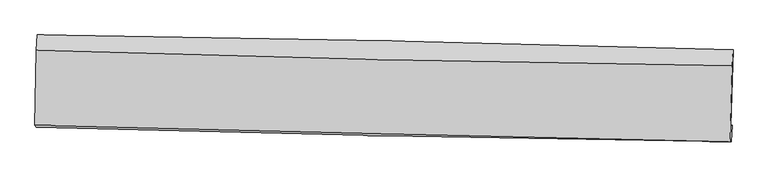
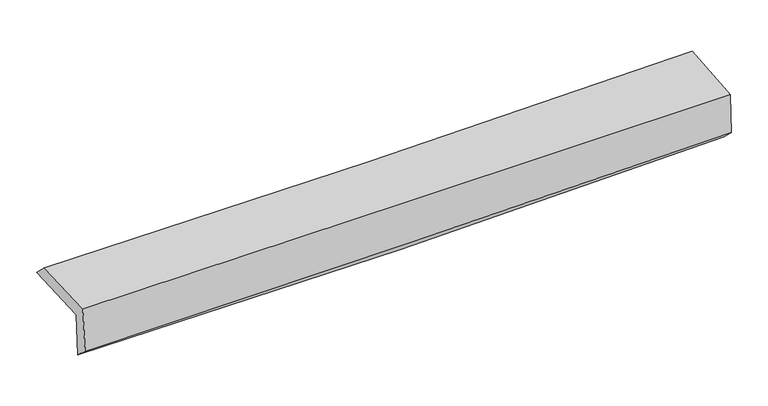
"""IFC4 building model written with IfcOpenShell, lengths in millimetres: proxy geometry."""

from ifc_helpers import new_model, si_unit, frame, origin, place, context, project, spatial, source, transform, mapped, element, save
from ifc_brep_helpers import plane_surface, spline_curve, spline_surface, advanced_brep


def generic_models_ba2f8397(model_context):
    return source(origin(), model_context, "Body", "AdvancedBrep", [
        advanced_brep(
        [(-2974.7879952, -1745.6157383, 1975.6775327), (-2961.0168302, -1087.5656348, 1984.979105), (2966.5182884, -1214.3904264, 2123.3315423), (2948.3810732, -1861.8195592, 2098.0376853), (-2965.1520033, -1746.2639481, 1576.6074001), (2957.8882117, -1856.5268268, 1709.5219193), (-2970.7843764, -1875.8322972, 1695.5694539), (2950.6297484, -1998.4821978, 1840.2819258), (-2980.2693506, -1857.9801701, 2103.5265573), (2941.6025999, -1998.6275377, 2215.0516921), (-2966.8844677, -1218.3884157, 2112.5672199), (2959.6997583, -1351.2067833, 2241.999241)],
        [
            (0, 1),
            (1, 2, spline_curve(3, [(-2961.0168302, -1087.5656348, 1984.979105), (-1971.709519369, -1100.236755681, 1968.021822653), (-982.932908836, -1117.145900606, 1971.082886926), (992.911435403, -1159.426382667, 2017.226588587), (1979.979864735, -1184.792168273, 2060.283003226), (2966.5182884, -1214.3904264, 2123.3315423)], [4, 2, 4], [0.0, 9.72912644407638, 19.451878593764427])),
            (2, 3),
            (3, 0, spline_curve(3, [(2948.3810732, -1861.8195592, 2098.0376853), (1962.100525766, -1839.774274916, 2055.332877584), (975.5246761, -1819.070714652, 2023.78347886), (-998.864626122, -1780.334348012, 1982.982129318), (-1986.678465989, -1762.303301372, 1973.744810599), (-2974.7879952, -1745.6157383, 1975.6775327)], [4, 2, 4], [0.0, 9.722752149688047, 19.451878593764427])),
            (4, 0),
            (3, 5),
            (5, 4, spline_curve(3, [(2957.8882117, -1856.5268268, 1709.5219193), (1971.577689909, -1837.445972836, 1664.856073456), (984.99757879, -1818.719867295, 1631.446880368), (-989.348805749, -1781.965109334, 1587.127276094), (-1977.115433102, -1763.936921805, 1576.231629523), (-2965.1520033, -1746.2639481, 1576.6074001)], [4, 2, 4], [0.0, 9.717852454598704, 19.442075991316372])),
            (6, 4),
            (5, 7),
            (7, 6, spline_curve(3, [(2950.6297484, -1998.4821978, 1840.2819258), (1964.008248104, -1983.574330771, 1812.960962905), (977.408015539, -1965.903827432, 1787.244534488), (-996.396720802, -1925.024150679, 1739.004939411), (-1983.601196438, -1901.811354017, 1716.483876869), (-2970.7843764, -1875.8322972, 1695.5694539)], [4, 2, 4], [0.0, 9.716513368132395, 19.439396940470665])),
            (8, 6),
            (7, 9),
            (9, 8, spline_curve(3, [(2941.6025999, -1998.6275377, 2215.0516921), (1955.040273962, -1975.164171547, 2194.245870419), (968.43151146, -1951.71571061, 2174.551879376), (-1005.525744703, -1904.833235211, 2137.375376049), (-1992.874298887, -1881.399240359, 2119.894322173), (-2980.2693506, -1857.9801701, 2103.5265573)], [4, 2, 4], [0.0, 9.715491559200776, 19.437352652703392])),
            (10, 8),
            (9, 11),
            (11, 10, spline_curve(3, [(2959.6997583, -1351.2067833, 2241.999241), (1972.156580971, -1337.825940523, 2212.190569154), (984.664799536, -1320.072382175, 2186.502415082), (-990.863342951, -1275.805328107, 2143.353003647), (-1978.899637044, -1249.286097311, 2125.89715054), (-2966.8844677, -1218.3884157, 2112.5672199)], [4, 2, 4], [0.0, 9.71970097791733, 19.445774249856555])),
            (1, 10),
            (11, 2),
        ],
        [
            spline_surface(3, 3, [[(-2974.7879952, -1745.6157383, 1975.6775327), (-1986.678465917, -1762.303301258, 1973.74481054), (-998.864626084, -1780.33434791, 1982.982129368), (975.524676062, -1819.070714755, 2023.78347881), (1962.100525676, -1839.774275035, 2055.332877499), (2948.3810732, -1861.8195592, 2098.0376853)], [(-2970.197606863, -1526.265703814, 1978.77805681), (-1981.688817036, -1541.614452777, 1971.837147884), (-993.554053678, -1559.271532146, 1979.015715232), (981.32026254, -1599.189270719, 2021.597848726), (1968.060305318, -1621.446906134, 2056.982919414), (2954.426811601, -1646.009848271, 2106.468970963)], [(-2965.607218537, -1306.915669286, 1981.87858089), (-1976.699168165, -1320.925604254, 1969.929485199), (-988.243481304, -1338.208716386, 1975.049301093), (987.115848987, -1379.307826687, 2019.412218641), (1974.020084956, -1403.119537221, 2058.632961338), (2960.472549999, -1430.200137329, 2114.900256637)], [(-2961.0168302, -1087.5656348, 1984.979105), (-1971.709519283, -1100.236755773, 1968.021822543), (-982.932908899, -1117.145900623, 1971.082886957), (992.911435466, -1159.426382651, 2017.226588557), (1979.979864598, -1184.79216832, 2060.283003253), (2966.5182884, -1214.3904264, 2123.3315423)]], [4, 4], [4, 2, 4], [0.0, 2.170904462135257], [0.0, 9.72912644407638, 19.451878593764427]),
            spline_surface(3, 3, [[(-2965.1520033, -1746.2639481, 1576.6074001), (-1977.115433232, -1763.936921757, 1576.231629435), (-989.348805833, -1781.965109218, 1587.127276012), (984.997578874, -1818.719867411, 1631.44688045), (1971.577689852, -1837.445972869, 1664.856073588), (2957.8882117, -1856.5268268, 1709.5219193)], [(-2968.364000604, -1746.047878152, 1709.630777623), (-1980.303110798, -1763.392381575, 1708.736023126), (-992.520745904, -1781.421522088, 1719.078893795), (981.839944616, -1818.836816498, 1762.225746568), (1968.418635155, -1838.222073602, 1795.015008214), (2954.719165561, -1858.291070945, 1839.027174622)], [(-2971.575997896, -1745.831808248, 1842.654155177), (-1983.490788351, -1762.847841439, 1841.240416848), (-995.692686013, -1780.87793504, 1851.030511585), (978.68231032, -1818.953765667, 1893.004612693), (1965.259580373, -1838.998174301, 1925.173942873), (2951.550119339, -1860.055315055, 1968.532429978)], [(-2974.7879952, -1745.6157383, 1975.6775327), (-1986.678465917, -1762.303301258, 1973.74481054), (-998.864626084, -1780.33434791, 1982.982129368), (975.524676062, -1819.070714755, 2023.78347881), (1962.100525676, -1839.774275035, 2055.332877499), (2948.3810732, -1861.8195592, 2098.0376853)]], [4, 4], [4, 2, 4], [0.0, 1.2933456345444936], [0.0, 9.724223536717668, 19.442075991316372]),
            spline_surface(3, 3, [[(-2970.7843764, -1875.8322972, 1695.5694539), (-1983.601196475, -1901.811354133, 1716.48387702), (-996.396720713, -1925.024150745, 1739.004939336), (977.40801545, -1965.903827366, 1787.244534563), (1964.008247953, -1983.574330933, 1812.960962842), (2950.6297484, -1998.4821978, 1840.2819258)], [(-2968.906918701, -1832.642847515, 1655.915435979), (-1981.439275395, -1855.853210023, 1669.733127838), (-994.047415772, -1877.337803577, 1688.379051576), (979.937869906, -1916.842507389, 1735.311983207), (1966.531395229, -1934.86487824, 1763.592666427), (2953.049236143, -1951.163740796, 1796.695256969)], [(-2967.029460999, -1789.453397785, 1616.261418021), (-1979.277354313, -1809.895065867, 1622.982378617), (-991.698110773, -1829.651456386, 1637.753163772), (982.467724419, -1867.781187388, 1683.379431806), (1969.054542576, -1886.155425561, 1714.224370004), (2955.468723957, -1903.845283804, 1753.108588131)], [(-2965.1520033, -1746.2639481, 1576.6074001), (-1977.115433232, -1763.936921757, 1576.231629435), (-989.348805833, -1781.965109218, 1587.127276012), (984.997578874, -1818.719867411, 1631.44688045), (1971.577689852, -1837.445972869, 1664.856073588), (2957.8882117, -1856.5268268, 1709.5219193)]], [4, 4], [4, 2, 4], [0.0, 0.6942605119140421], [0.0, 9.72288357233827, 19.439396940470665]),
            spline_surface(3, 3, [[(-2980.2693506, -1857.9801701, 2103.5265573), (-1992.874298778, -1881.399240437, 2119.894322173), (-1005.525744575, -1904.833235186, 2137.375376077), (968.431511332, -1951.715710634, 2174.551879348), (1955.040273998, -1975.164171689, 2194.245870349), (2941.6025999, -1998.6275377, 2215.0516921)], [(-2977.107692533, -1863.930879144, 1967.540856167), (-1989.783264677, -1888.203278346, 1985.424173789), (-1002.482736601, -1911.563540368, 2004.585230507), (971.423679392, -1956.445082874, 2045.449431097), (1958.029598668, -1977.967558093, 2067.150901185), (2944.611649418, -1998.579091056, 2090.128436672)], [(-2973.946034467, -1869.881588156, 1831.555155033), (-1986.692230576, -1895.007316224, 1850.954025405), (-999.439728687, -1918.293845563, 1871.795084905), (974.415847391, -1961.174455127, 1916.346982814), (1961.018923283, -1980.770944528, 1940.055932006), (2947.620698882, -1998.530644444, 1965.205181228)], [(-2970.7843764, -1875.8322972, 1695.5694539), (-1983.601196475, -1901.811354133, 1716.48387702), (-996.396720713, -1925.024150745, 1739.004939336), (977.40801545, -1965.903827366, 1787.244534563), (1964.008247953, -1983.574330933, 1812.960962842), (2950.6297484, -1998.4821978, 1840.2819258)]], [4, 4], [4, 2, 4], [0.0, 1.2904287910456964], [0.0, 9.721861093502616, 19.437352652703392]),
            spline_surface(3, 3, [[(-2966.8844677, -1218.3884157, 2112.5672199), (-1978.899637034, -1249.286097436, 2125.897150401), (-990.863343069, -1275.805328257, 2143.353003517), (984.664799654, -1320.072382026, 2186.502415212), (1972.15658107, -1337.825940394, 2212.190569093), (2959.6997583, -1351.2067833, 2241.999241)], [(-2971.346095339, -1431.585667144, 2109.553665697), (-1983.557857621, -1459.990478414, 2123.896207656), (-995.750810262, -1485.481297229, 2141.360461024), (979.253703522, -1530.620158225, 2182.518903244), (1966.45114538, -1550.272017496, 2206.209002839), (2953.667372168, -1567.013701437, 2233.016724694)], [(-2975.807722961, -1644.782918656, 2106.540111503), (-1988.216078191, -1670.694859459, 2121.895264918), (-1000.638277382, -1695.157266213, 2139.36791857), (973.842607464, -1741.167934435, 2178.535391316), (1960.745709687, -1762.718094587, 2200.227436604), (2947.634986032, -1782.820619563, 2224.034208406)], [(-2980.2693506, -1857.9801701, 2103.5265573), (-1992.874298778, -1881.399240437, 2119.894322173), (-1005.525744575, -1904.833235186, 2137.375376077), (968.431511332, -1951.715710634, 2174.551879348), (1955.040273998, -1975.164171689, 2194.245870349), (2941.6025999, -1998.6275377, 2215.0516921)]], [4, 4], [4, 2, 4], [0.0, 2.0688572955246936], [0.0, 9.726073271939224, 19.445774249856555]),
            spline_surface(3, 3, [[(-2961.0168302, -1087.5656348, 1984.979105), (-1971.709519283, -1100.236755773, 1968.021822543), (-982.932908899, -1117.145900623, 1971.082886957), (992.911435466, -1159.426382651, 2017.226588557), (1979.979864598, -1184.79216832, 2060.283003253), (2966.5182884, -1214.3904264, 2123.3315423)], [(-2962.97270936, -1131.173228431, 2027.508476624), (-1974.106225193, -1149.919869659, 2020.646931819), (-985.576386955, -1170.032376529, 2028.506259132), (990.162556862, -1212.975049138, 2073.651864098), (1977.372103397, -1235.803425674, 2110.918858547), (2964.245445008, -1259.995878696, 2162.88744188)], [(-2964.92858854, -1174.780822069, 2070.037848276), (-1976.502931124, -1199.602983551, 2073.272041125), (-988.219865012, -1222.91885235, 2085.929631341), (987.413678257, -1266.523715539, 2130.077139671), (1974.764342271, -1286.81468304, 2161.5547138), (2961.972601692, -1305.601331004, 2202.44334142)], [(-2966.8844677, -1218.3884157, 2112.5672199), (-1978.899637034, -1249.286097436, 2125.897150401), (-990.863343069, -1275.805328257, 2143.353003517), (984.664799654, -1320.072382026, 2186.502415212), (1972.15658107, -1337.825940394, 2212.190569093), (2959.6997583, -1351.2067833, 2241.999241)]], [4, 4], [4, 2, 4], [0.0, 0.7674497044116262], [0.0, 9.731724858370585, 19.45707371993302]),
            plane_surface(frame((2954.1199467, -1713.5088886, 2038.0373343), z_axis=(0.9992917367706289, -0.028934304615059084, 0.024058903515815706), x_axis=(0.024080198259747148, 0.0003876987678203048, -0.9997099548076116))),
            plane_surface(frame((-2969.8158372, -1588.6077007, 1908.1545448), z_axis=(-0.9994818651628853, 0.021258003341290303, -0.024168129933076914), x_axis=(-0.0209205587327319, -0.9996812781443786, -0.014130546696151288))),
        ],
        [
            (0, [[1, 2, 3, 4]]),
            (1, [[5, -4, 6, 7]]),
            (2, [[8, -7, 9, 10]]),
            (3, [[11, -10, 12, 13]]),
            (4, [[14, -13, 15, 16]]),
            (5, [[17, -16, 18, -2]]),
            (6, [[-12, -9, -6, -3, -18, -15]]),
            (7, [[-1, -5, -8, -11, -14, -17]]),
        ],
    ),
    ])


if __name__ == "__main__":
    model = new_model("IFC4")
    model_context = context("Model", 3, world=origin())
    ifc_project = project(units=[si_unit("LENGTHUNIT", "METRE", prefix="MILLI")], contexts=[model_context])
    site = spatial("IfcSite", under=ifc_project)
    building = spatial("IfcBuilding", under=site)
    placement = place(None, origin())
    generic_models_shape = generic_models_ba2f8397(model_context)
    element("IfcBuildingElementProxy", 1, Name="Generic Models", at=placement, inside=building, context=model_context, shape_type="MappedRepresentation", body=[
        mapped(generic_models_shape, transform((0.0, 0.0, 0.0), x_axis=(1.0, 0.0, 0.0), y_axis=(0.0, 1.0, 0.0), z_axis=(0.0, 0.0, 1.0))),
    ])
    save(model, "model.ifc")
